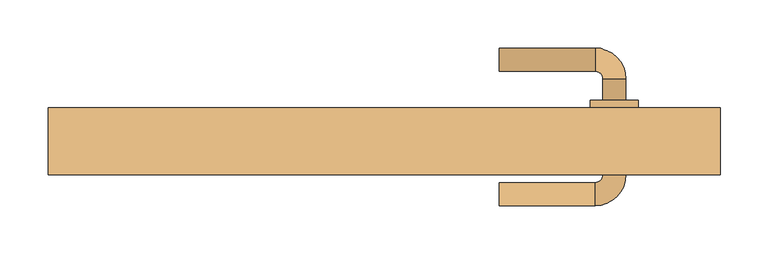
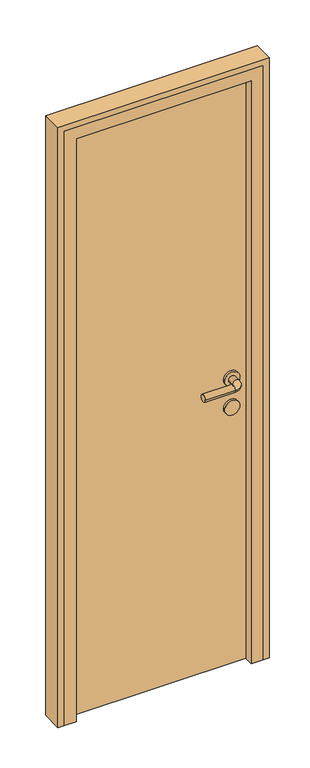
"""IFC4 building model written with IfcOpenShell, lengths in millimetres: door geometry."""

from ifc_helpers import new_model, si_unit, point, frame, frame_2d, origin, origin_with_axes, place, context, project, spatial, polyline, circle_curve, ellipse_curve, trimmed, segment, composite_curve, outline, extrude, faceted_brep, source, transform, mapped, element, save
from ifc_brep_helpers import plane_surface, cylinder_surface, revolved_surface, advanced_brep


def door_f77ed258(model_context):
    return source(origin(), model_context, "Body", "SolidModel", [
        advanced_brep(
        [(120.0, 112.0, 1000.0), (120.0, 88.0, 1000.0), (220.0, 88.0, 1000.0), (220.0, 112.0, 1000.0), (228.0, 80.0, 1000.0), (252.0, 80.0, 1000.0), (252.0, -20.0, 1000.0), (252.0, 2.0, 1000.0), (228.0, 2.0, 1000.0), (228.0, -20.0, 1000.0), (228.0, 58.0, 1000.0), (252.0, 58.0, 1000.0), (220.0, -28.0, 1000.0), (220.0, -52.0, 1000.0), (120.0, -52.0, 1000.0), (120.0, -28.0, 1000.0), (265.0, 58.0, 1000.0), (215.0, 58.0, 1000.0), (265.0, 2.0, 1000.0), (215.0, 2.0, 1000.0)],
        [
            (0, 1, circle_curve(frame((120.0, 100.0, 1000.0), z_axis=(-1.0, 0.0, 0.0), x_axis=(0.0, -1.0, 0.0)), 12.0)),
            (1, 0, circle_curve(frame((120.0, 100.0, 1000.0), z_axis=(-1.0, 0.0, 0.0), x_axis=(0.0, -1.0, 0.0)), 12.0)),
            (1, 2),
            (2, 3, circle_curve(frame((220.0, 100.0, 1000.0), z_axis=(-1.0, 0.0, 0.0), x_axis=(0.0, -1.0, 0.0)), 12.0)),
            (3, 0),
            (3, 2, circle_curve(frame((220.0, 100.0, 1000.0), z_axis=(-1.0, 0.0, 0.0), x_axis=(0.0, -1.0, 0.0)), 12.0)),
            (2, 4, circle_curve(frame((220.0, 80.0, 1000.0), z_axis=(0.0, 0.0, -1.0), x_axis=(0.0, 1.0, 0.0)), 8.0)),
            (4, 5, circle_curve(frame((240.0, 80.0, 1000.0), z_axis=(0.0, 1.0, 0.0), x_axis=(-1.0, 0.0, 0.0)), 12.0)),
            (5, 3, circle_curve(frame((220.0, 80.0, 1000.0), z_axis=(0.0, 0.0, 1.0), x_axis=(0.0, 1.0, 0.0)), 32.0)),
            (5, 4, circle_curve(frame((240.0, 80.0, 1000.0), z_axis=(0.0, 1.0, 0.0), x_axis=(-1.0, 0.0, 0.0)), 12.0)),
            (6, 7),
            (7, 8, circle_curve(frame((240.0, 2.0, 1000.0), z_axis=(0.0, -1.0, 0.0), x_axis=(-1.0, 0.0, 0.0)), 12.0)),
            (8, 9),
            (9, 6, circle_curve(frame((240.0, -20.0, 1000.0), z_axis=(0.0, 1.0, 0.0), x_axis=(-1.0, 0.0, 0.0)), 12.0)),
            (4, 10),
            (10, 11, circle_curve(frame((240.0, 58.0, 1000.0), z_axis=(0.0, 1.0, 0.0), x_axis=(-1.0, 0.0, 0.0)), 12.0)),
            (11, 5),
            (11, 10, circle_curve(frame((240.0, 58.0, 1000.0), z_axis=(0.0, 1.0, 0.0), x_axis=(-1.0, 0.0, 0.0)), 12.0)),
            (8, 7, circle_curve(frame((240.0, 2.0, 1000.0), z_axis=(0.0, -1.0, 0.0), x_axis=(-1.0, 0.0, 0.0)), 12.0)),
            (6, 9, circle_curve(frame((240.0, -20.0, 1000.0), z_axis=(0.0, 1.0, 0.0), x_axis=(-1.0, 0.0, 0.0)), 12.0)),
            (9, 12, circle_curve(frame((220.0, -20.0, 1000.0), z_axis=(0.0, 0.0, -1.0), x_axis=(1.0, 0.0, 0.0)), 8.0)),
            (12, 13, circle_curve(frame((220.0, -40.0, 1000.0), z_axis=(1.0, 0.0, 0.0), x_axis=(0.0, 1.0, 0.0)), 12.0)),
            (13, 6, circle_curve(frame((220.0, -20.0, 1000.0), z_axis=(0.0, 0.0, 1.0), x_axis=(1.0, 0.0, 0.0)), 32.0)),
            (13, 12, circle_curve(frame((220.0, -40.0, 1000.0), z_axis=(1.0, 0.0, 0.0), x_axis=(0.0, 1.0, 0.0)), 12.0)),
            (14, 15, circle_curve(frame((120.0, -40.0, 1000.0), z_axis=(-1.0, 0.0, 0.0), x_axis=(0.0, 1.0, 0.0)), 12.0)),
            (15, 14, circle_curve(frame((120.0, -40.0, 1000.0), z_axis=(-1.0, 0.0, 0.0), x_axis=(0.0, 1.0, 0.0)), 12.0)),
            (12, 15),
            (14, 13),
            (16, 17, circle_curve(frame((240.0, 58.0, 1000.0), z_axis=(0.0, 1.0, 0.0), x_axis=(-1.0, 0.0, 0.0)), 25.0)),
            (17, 16, circle_curve(frame((240.0, 58.0, 1000.0), z_axis=(0.0, 1.0, 0.0), x_axis=(-1.0, 0.0, 0.0)), 25.0)),
            (18, 19, circle_curve(frame((240.0, 2.0, 1000.0), z_axis=(0.0, -1.0, 0.0), x_axis=(-1.0, 0.0, 0.0)), 25.0)),
            (19, 18, circle_curve(frame((240.0, 2.0, 1000.0), z_axis=(0.0, -1.0, 0.0), x_axis=(-1.0, 0.0, 0.0)), 25.0)),
            (16, 18),
            (19, 17),
        ],
        [
            plane_surface(frame((120.0, 100.0, 1000.0), z_axis=(-1.0, 0.0, 0.0), x_axis=(0.0, 0.0, 1.0))),
            cylinder_surface(frame((120.0, 100.0, 1000.0), z_axis=(-1.0, 0.0, 0.0), x_axis=(0.0, -1.0, 0.0)), 12.0),
            revolved_surface(trimmed(ellipse_curve(frame((220.0, 100.0, 1000.0), z_axis=(1.0, 0.0, 0.0), x_axis=(0.0, -1.0, 0.0)), 12.0, 12.0), [point((220.0, 112.0, 1000.0))], [point((220.0, 88.0, 1000.0))], True, "CARTESIAN"), (220.0, 80.0, 1000.0), (0.0, 0.0, 1.0)),
            revolved_surface(trimmed(ellipse_curve(frame((220.0, 100.0, 1000.0), z_axis=(1.0, 0.0, 0.0), x_axis=(0.0, -1.0, 0.0)), 12.0, 12.0), [point((220.0, 88.0, 1000.0))], [point((220.0, 112.0, 1000.0))], True, "CARTESIAN"), (220.0, 80.0, 1000.0), (0.0, 0.0, 1.0)),
            cylinder_surface(frame((240.0, 80.0, 1000.0), z_axis=(0.0, 1.0, 0.0), x_axis=(-1.0, 0.0, 0.0)), 12.0),
            revolved_surface(trimmed(ellipse_curve(frame((240.0, -20.0, 1000.0), z_axis=(0.0, -1.0, 0.0), x_axis=(-1.0, 0.0, 0.0)), 12.0, 12.0), [point((252.0, -20.0, 1000.0))], [point((228.0, -20.0, 1000.0))], True, "CARTESIAN"), (220.0, -20.0, 1000.0), (0.0, 0.0, 1.0)),
            revolved_surface(trimmed(ellipse_curve(frame((240.0, -20.0, 1000.0), z_axis=(0.0, -1.0, 0.0), x_axis=(-1.0, 0.0, 0.0)), 12.0, 12.0), [point((228.0, -20.0, 1000.0))], [point((252.0, -20.0, 1000.0))], True, "CARTESIAN"), (220.0, -20.0, 1000.0), (0.0, 0.0, 1.0)),
            plane_surface(frame((120.0, -40.0, 1000.0), z_axis=(-1.0, 0.0, 0.0), x_axis=(0.0, 0.0, 1.0))),
            cylinder_surface(frame((220.0, -40.0, 1000.0), z_axis=(1.0, 0.0, 0.0), x_axis=(0.0, 1.0, 0.0)), 12.0),
            plane_surface(frame((215.0, 58.0, 1000.0), z_axis=(0.0, 1.0, 0.0), x_axis=(0.0, 0.0, -1.0))),
            plane_surface(frame((215.0, 2.0, 1000.0), z_axis=(0.0, -1.0, 0.0), x_axis=(0.0, 0.0, 1.0))),
            cylinder_surface(frame((240.0, 58.0, 1000.0), z_axis=(0.0, -1.0, 0.0), x_axis=(-1.0, 0.0, 0.0)), 25.0),
        ],
        [
            (0, [[1, 2]]),
            (1, [[3, 4, 5, -2]]),
            (1, [[-5, 6, -3, -1]]),
            (2, [[7, 8, 9, -4]]),
            (3, [[-9, 10, -7, -6]]),
            (4, [[11, 12, 13, 14]]),
            (4, [[15, 16, 17, -8]]),
            (4, [[-17, 18, -15, -10]]),
            (4, [[-13, 19, -11, 20]]),
            (5, [[21, 22, 23, -14]]),
            (6, [[-23, 24, -21, -20]]),
            (7, [[25, 26]]),
            (8, [[27, -25, 28, -22]]),
            (8, [[-28, -26, -27, -24]]),
            (9, [[29, 30], [-18, -16]]),
            (10, [[31, 32], [-19, -12]]),
            (11, [[33, -32, 34, -29]]),
            (11, [[-34, -31, -33, -30]]),
        ],
    ),
        extrude(outline(composite_curve([segment(trimmed(circle_curve(frame_2d((900.0, 240.0)), 25.0), [point((900.0, 265.0))], [point((900.0, 215.0))], False, "CARTESIAN"), True, "CONTINUOUS"), segment(trimmed(circle_curve(frame_2d((900.0, 240.0)), 25.0), [point((900.0, 215.0))], [point((900.0, 265.0))], False, "CARTESIAN"), True, "CONTINUOUS")], self_intersect=False)), frame((0.0, 2.0, 0.0), z_axis=(0.0, 1.0, 0.0), x_axis=(0.0, 0.0, 1.0)), (0.0, 0.0, 1.0), 56.0),
        extrude(outline(polyline([(300.0, 10.0), (-300.0, 10.0), (-300.0, 50.0), (300.0, 50.0), (300.0, 10.0)])), origin_with_axes(), (0.0, 0.0, 1.0), 2050.0),
        extrude(outline(polyline([(0.0, 350.0), (2100.0, 350.0), (2100.0, -350.0), (0.0, -350.0), (0.0, -330.0), (2080.0, -330.0), (2080.0, 330.0), (0.0, 330.0), (0.0, 350.0)])), frame((0.0, -20.0, 0.0), z_axis=(0.0, 1.0, 0.0), x_axis=(0.0, 0.0, 1.0)), (0.0, 0.0, 1.0), 70.0),
        faceted_brep([(-330.0, -20.0, 0.0), (-330.0, 50.0, 0.0), (-300.0, 50.0, 0.0), (-300.0, 10.0, 0.0), (-290.0, 10.0, 0.0), (-290.0, -20.0, 0.0), (-330.0, -20.0, 2080.0), (-330.0, 50.0, 2080.0), (330.0, 50.0, 2080.0), (330.0, 50.0, 0.0), (300.0, 50.0, 0.0), (300.0, 50.0, 2050.0), (-300.0, 50.0, 2050.0), (-300.0, 10.0, 2050.0), (300.0, 10.0, 2050.0), (300.0, 10.0, 0.0), (290.0, 10.0, 0.0), (290.0, 10.0, 2040.0), (-290.0, 10.0, 2040.0), (-290.0, -20.0, 2040.0), (290.0, -20.0, 2040.0), (290.0, -20.0, 0.0), (330.0, -20.0, 0.0), (330.0, -20.0, 2080.0)], [[[0, 1, 2, 3, 4, 5]], [[1, 0, 6, 7]], [[2, 1, 7, 8, 9, 10, 11, 12]], [[3, 2, 12, 13]], [[4, 3, 13, 14, 15, 16, 17, 18]], [[5, 4, 18, 19]], [[0, 5, 19, 20, 21, 22, 23, 6]], [[7, 6, 23, 8]], [[13, 12, 11, 14]], [[19, 18, 17, 20]], [[22, 21, 16, 15, 10, 9]], [[8, 23, 22, 9]], [[14, 11, 10, 15]], [[20, 17, 16, 21]]]),
    ])


if __name__ == "__main__":
    model = new_model("IFC4")
    model_context = context("Model", 3, world=origin())
    ifc_project = project(units=[si_unit("LENGTHUNIT", "METRE", prefix="MILLI")], contexts=[model_context])
    site = spatial("IfcSite", under=ifc_project)
    building = spatial("IfcBuilding", under=site)
    placement = place(None, origin())
    door_shape = door_f77ed258(model_context)
    element("IfcDoor", 1, at=placement, inside=building, context=model_context, shape_type="MappedRepresentation", body=[
        mapped(door_shape, transform((0.0, 0.0, 0.0), x_axis=(1.0, 0.0, 0.0), y_axis=(0.0, 1.0, 0.0), z_axis=(0.0, 0.0, 1.0))),
    ])
    save(model, "model.ifc")
